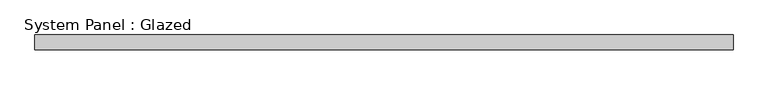
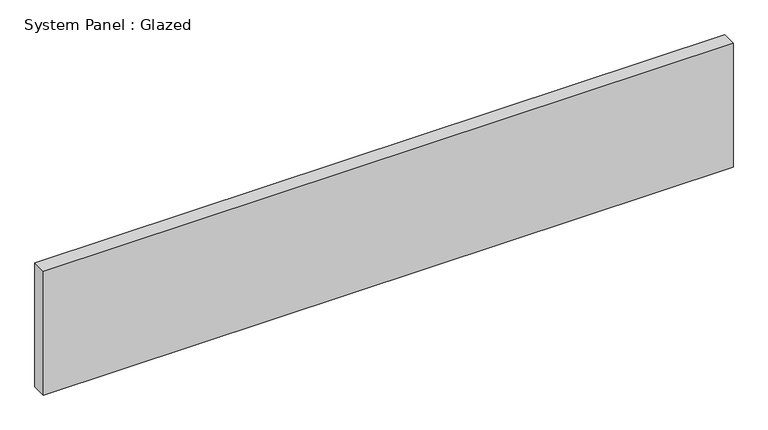
"""IFC4 building model written with IfcOpenShell, lengths in millimetres: plate geometry, System Panel : Glazed."""

from ifc_helpers import new_model, si_unit, origin, origin_with_axes, place, context, project, spatial, polyline, outline, extrude, source, transform, mapped, element, save


def system_panel_glazed_3303e38c(model_context):
    return source(origin(), model_context, "Body", "SweptSolid", [
        extrude(outline(polyline([(592.455, 19.05), (-592.455, 19.05), (-592.455, 44.45), (592.455, 44.45), (592.455, 19.05)])), origin_with_axes(), (0.0, 0.0, 1.0), 224.8268665),
    ])


if __name__ == "__main__":
    model = new_model("IFC4")
    model_context = context("Model", 3, world=origin())
    ifc_project = project(units=[si_unit("LENGTHUNIT", "METRE", prefix="MILLI")], contexts=[model_context])
    site = spatial("IfcSite", under=ifc_project)
    building = spatial("IfcBuilding", under=site)
    placement = place(None, origin())
    system_panel_glazed_shape = system_panel_glazed_3303e38c(model_context)
    element("IfcPlate", 1, ObjectType="System Panel : Glazed", at=placement, inside=building, context=model_context, shape_type="MappedRepresentation", body=[
        mapped(system_panel_glazed_shape, transform((0.0, 0.0, 0.0), x_axis=(1.0, 0.0, 0.0), y_axis=(0.0, 1.0, 0.0), z_axis=(0.0, 0.0, 1.0))),
    ])
    save(model, "model.ifc")
